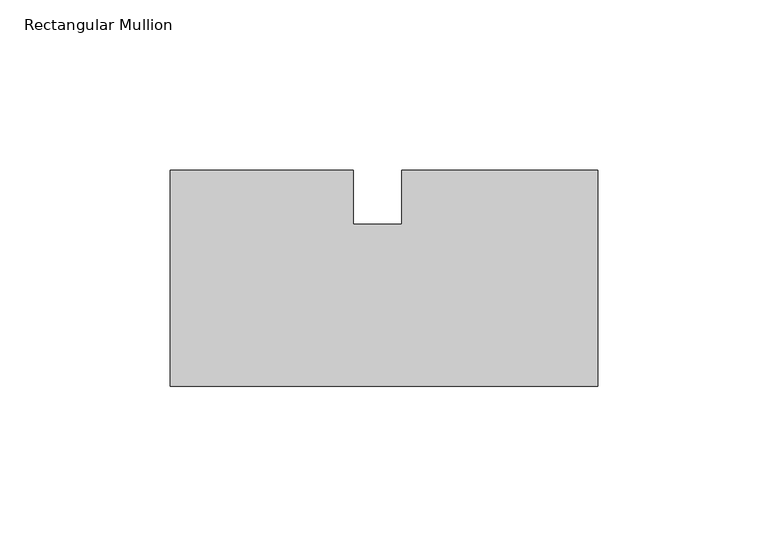
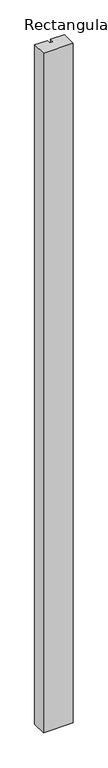
"""IFC4 building model written with IfcOpenShell, lengths in millimetres: member geometry, Rectangular Mullion."""

from ifc_helpers import new_model, si_unit, frame, origin, place, context, project, spatial, polyline, outline, extrude, source, transform, mapped, element, save


def rectangular_mullion_b2f7aed9(model_context):
    return source(origin(), model_context, "Body", "SweptSolid", [
        extrude(outline(polyline([(0.0, -63.5040955), (-125.7808, -63.5040955), (-125.7808, -0.0040955), (-71.9412219, -0.0040955), (-71.9412219, -15.8917955), (-57.648423, -15.8917955), (-57.648423, -0.0040955), (0.0, -0.0040955), (0.0, -63.5040955)])), frame((0.0, 0.0, -3048.0), z_axis=(0.0, 0.0, 1.0), x_axis=(1.0, 0.0, 0.0)), (0.0, 0.0, 1.0), 3048.0),
    ])


if __name__ == "__main__":
    model = new_model("IFC4")
    model_context = context("Model", 3, world=origin())
    ifc_project = project(units=[si_unit("LENGTHUNIT", "METRE", prefix="MILLI")], contexts=[model_context])
    site = spatial("IfcSite", under=ifc_project)
    building = spatial("IfcBuilding", under=site)
    placement = place(None, origin())
    rectangular_mullion_shape = rectangular_mullion_b2f7aed9(model_context)
    element("IfcMember", 1, ObjectType="Rectangular Mullion", at=placement, inside=building, context=model_context, shape_type="MappedRepresentation", body=[
        mapped(rectangular_mullion_shape, transform((0.0, 0.0, 0.0), x_axis=(1.0, 0.0, 0.0), y_axis=(0.0, 1.0, 0.0), z_axis=(0.0, 0.0, 1.0))),
    ])
    save(model, "model.ifc")
